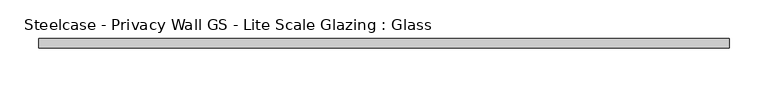
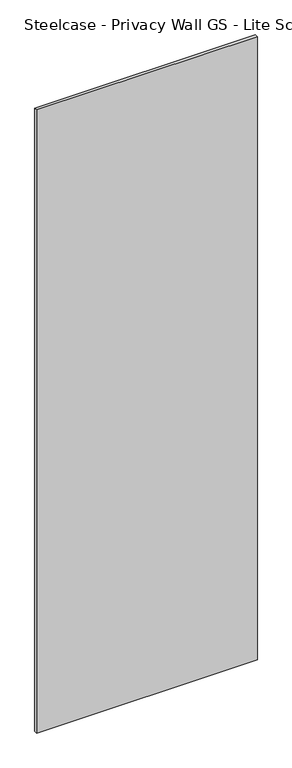
"""IFC4 building model written with IfcOpenShell, lengths in millimetres: plate geometry, Steelcase - Privacy Wall GS - Lite Scale Glazing : Glass."""

from ifc_helpers import new_model, si_unit, origin, origin_with_axes, place, context, project, spatial, polyline, outline, extrude, source, transform, mapped, element, save


def steelcase_privacy_wall_gs_lite_scale_glazing_glass_b6f6b17a(model_context):
    return source(origin(), model_context, "Body", "SweptSolid", [
        extrude(outline(polyline([(-446.6725173, -6.349956), (-446.6725173, 6.3502015), (446.6725173, 6.3502015), (446.6725173, -6.349956), (-446.6725173, -6.349956)])), origin_with_axes(), (0.0, 0.0, 1.0), 2665.984),
    ])


if __name__ == "__main__":
    model = new_model("IFC4")
    model_context = context("Model", 3, world=origin())
    ifc_project = project(units=[si_unit("LENGTHUNIT", "METRE", prefix="MILLI")], contexts=[model_context])
    site = spatial("IfcSite", under=ifc_project)
    building = spatial("IfcBuilding", under=site)
    placement = place(None, origin())
    steelcase_privacy_wall_gs_lite_scale_glazing_glass_shape = steelcase_privacy_wall_gs_lite_scale_glazing_glass_b6f6b17a(model_context)
    element("IfcPlate", 1, ObjectType="Steelcase - Privacy Wall GS - Lite Scale Glazing : Glass", at=placement, inside=building, context=model_context, shape_type="MappedRepresentation", body=[
        mapped(steelcase_privacy_wall_gs_lite_scale_glazing_glass_shape, transform((0.0, 0.0, 0.0), x_axis=(1.0, 0.0, 0.0), y_axis=(0.0, 1.0, 0.0), z_axis=(0.0, 0.0, 1.0))),
    ])
    save(model, "model.ifc")
